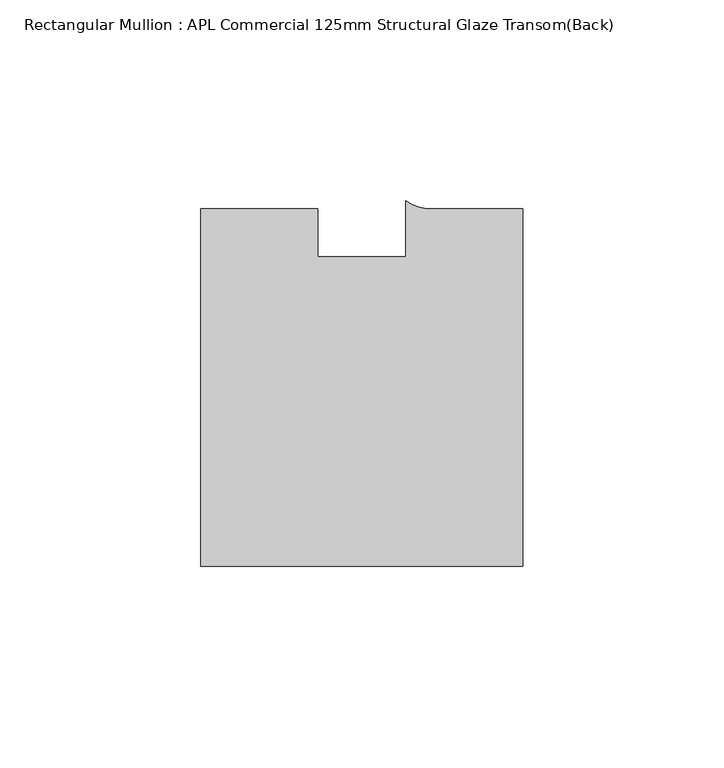
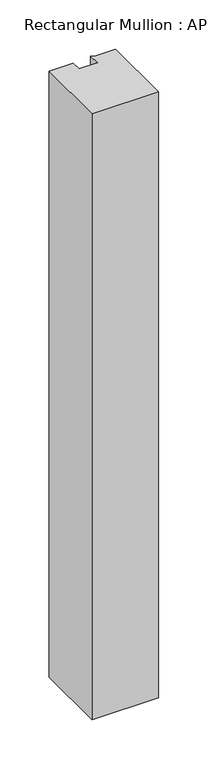
"""IFC4 building model written with IfcOpenShell, lengths in millimetres: member geometry, Rectangular Mullion : APL Commercial 125mm Structural Glaze Transom(Back)."""

import ifcopenshell
import ifcopenshell.guid

model = None  # the IFC model being written
_history = None  # IfcOwnerHistory: only IFC2X3 demands one
_inside = {}  # id of a spatial element -> (the spatial element, [elements in it])
_under = {}  # id of a project, library or spatial element -> (it, [spatial elements below it])
_declared = {}  # id of a project -> (the project, [libraries it declares])
_typed = {}  # id of a type object -> (the type object, [elements of that type])
_made_of = {}  # id of a material, layer set ... -> (it, [elements and type objects made of it])


def new_model(schema):
    """Start an empty IFC model of exactly this schema.

    Asked for "IFC4X3", IfcOpenShell would pick the latest addendum, in which some entities
    have other attributes; the version numbers below select the first issue.
    IFC2X3 requires an IfcOwnerHistory on every rooted entity: one is made here for all.
    """
    global model, _history
    if schema == "IFC4X3":
        model = ifcopenshell.file(schema_version=(4, 3, 0, 0))
    else:
        model = ifcopenshell.file(schema=schema)
    _inside.clear()
    _under.clear()
    _declared.clear()
    _typed.clear()
    _made_of.clear()
    _history = None
    if model.schema == "IFC2X3":
        org = make("IfcOrganization", Name="unknown")
        user = make(
            "IfcPersonAndOrganization",
            ThePerson=make("IfcPerson", FamilyName="unknown"),
            TheOrganization=org,
        )
        app = make(
            "IfcApplication",
            ApplicationDeveloper=org,
            Version="unknown",
            ApplicationFullName="unknown",
            ApplicationIdentifier="unknown",
        )
        _history = make(
            "IfcOwnerHistory",
            OwningUser=user,
            OwningApplication=app,
            ChangeAction="ADDED",
            CreationDate=0,
        )
    return model


def make(cls, **values):
    """One entity of the class cls with the attributes given. An attribute that is None is left unset."""
    return model.create_entity(
        cls, **{name: value for name, value in values.items() if value is not None}
    )


def rooted(cls, **values):
    """An entity with a GlobalId (a new one), such as an element, a storey or a relation."""
    return make(cls, GlobalId=ifcopenshell.guid.new(), OwnerHistory=_history, **values)


def si_unit(unit_type, name, prefix=None):
    """IfcSIUnit, for example si_unit("LENGTHUNIT", "METRE", prefix="MILLI")."""
    return make("IfcSIUnit", UnitType=unit_type, Prefix=prefix, Name=name)


def assignment(units):
    """IfcUnitAssignment: the units of a project."""
    return None if units is None else make("IfcUnitAssignment", Units=units)


def point(xyz):
    """IfcCartesianPoint."""
    return None if xyz is None else make("IfcCartesianPoint", Coordinates=xyz)


def direction(xyz):
    """IfcDirection."""
    return None if xyz is None else make("IfcDirection", DirectionRatios=xyz)


def frame(location, z_axis=None, x_axis=None):
    """IfcAxis2Placement3D, a coordinate frame: its origin and axes. An axis left out is left unset."""
    return make(
        "IfcAxis2Placement3D",
        Location=point(location),
        Axis=direction(z_axis),
        RefDirection=direction(x_axis),
    )


def frame_2d(location, x_axis=None):
    """IfcAxis2Placement2D, a coordinate frame in the plane: its origin and x axis."""
    return make(
        "IfcAxis2Placement2D", Location=point(location), RefDirection=direction(x_axis)
    )


def origin():
    """The frame at (0, 0, 0) with its axes left unset."""
    return frame((0.0, 0.0, 0.0))


def place(relative_to, where):
    """IfcLocalPlacement: puts the frame where relative to a parent placement (None: the world)."""
    return make(
        "IfcLocalPlacement", PlacementRelTo=relative_to, RelativePlacement=where
    )


def context(
    kind, dimensions, precision=None, world=None, true_north=None, identifier=None
):
    """IfcGeometricRepresentationContext, for example the 3D "Model" context."""
    return make(
        "IfcGeometricRepresentationContext",
        ContextIdentifier=identifier,
        ContextType=kind,
        CoordinateSpaceDimension=dimensions,
        Precision=precision,
        WorldCoordinateSystem=world,
        TrueNorth=true_north,
    )


def project(units=None, contexts=None):
    """IfcProject with its units and contexts."""
    return rooted(
        "IfcProject",
        Name="project",
        RepresentationContexts=contexts,
        UnitsInContext=assignment(units),
    )


def spatial(cls, under=None, at=None, **own):
    """A site, building, storey or space (cls), placed at a placement, below another one or the project."""
    s = rooted(cls, ObjectPlacement=at, **own)
    if under is not None:
        _under.setdefault(under.id(), (under, []))[1].append(s)
    return s


def polyline(points):
    """IfcPolyline through the points."""
    return make("IfcPolyline", Points=[point(p) for p in points])


def circle_curve(where, radius):
    """IfcCircle in the frame where."""
    return make("IfcCircle", Position=where, Radius=radius)


def trimmed(basis, trim1, trim2, sense, master):
    """IfcTrimmedCurve: the piece of a basis curve between two trims."""
    return make(
        "IfcTrimmedCurve",
        BasisCurve=basis,
        Trim1=trim1,
        Trim2=trim2,
        SenseAgreement=sense,
        MasterRepresentation=master,
    )


def segment(curve, same_sense, transition):
    """IfcCompositeCurveSegment."""
    return make(
        "IfcCompositeCurveSegment",
        Transition=transition,
        SameSense=same_sense,
        ParentCurve=curve,
    )


def composite_curve(segments, self_intersect=None):
    """IfcCompositeCurve: segments joined end to end."""
    return make("IfcCompositeCurve", Segments=segments, SelfIntersect=self_intersect)


def outline(outer, holes=None, kind="AREA"):
    """IfcArbitraryClosedProfileDef: a profile drawn as a closed curve; with holes, ...WithVoids."""
    if holes is None:
        return make("IfcArbitraryClosedProfileDef", ProfileType=kind, OuterCurve=outer)
    return make(
        "IfcArbitraryProfileDefWithVoids",
        ProfileType=kind,
        OuterCurve=outer,
        InnerCurves=holes,
    )


def extrude(swept, where, along, depth):
    """IfcExtrudedAreaSolid: the profile swept, set in the frame where, extruded along a direction by depth."""
    return make(
        "IfcExtrudedAreaSolid",
        SweptArea=swept,
        Position=where,
        ExtrudedDirection=direction(along),
        Depth=depth,
    )


def shape(context_of_items, identifier, shape_type, items):
    """IfcShapeRepresentation: the items that make up one representation, for example the "Body"."""
    return make(
        "IfcShapeRepresentation",
        ContextOfItems=context_of_items,
        RepresentationIdentifier=identifier,
        RepresentationType=shape_type,
        Items=items,
    )


def source(mapping_origin, context_of_items, identifier, shape_type, items):
    """IfcRepresentationMap: a shape defined once, which mapped items show again and again."""
    return make(
        "IfcRepresentationMap",
        MappingOrigin=mapping_origin,
        MappedRepresentation=shape(context_of_items, identifier, shape_type, items),
    )


def transform(
    local_origin,
    x_axis=None,
    y_axis=None,
    z_axis=None,
    scale=None,
    scale2=None,
    scale3=None,
    uniform=True,
):
    """IfcCartesianTransformationOperator3D, or its non-uniform kind. x_axis, y_axis, z_axis: its Axis1, 2, 3."""
    if uniform:
        return make(
            "IfcCartesianTransformationOperator3D",
            Axis1=direction(x_axis),
            Axis2=direction(y_axis),
            LocalOrigin=point(local_origin),
            Scale=scale,
            Axis3=direction(z_axis),
        )
    return make(
        "IfcCartesianTransformationOperator3DnonUniform",
        Axis1=direction(x_axis),
        Axis2=direction(y_axis),
        LocalOrigin=point(local_origin),
        Scale=scale,
        Axis3=direction(z_axis),
        Scale2=scale2,
        Scale3=scale3,
    )


def mapped(mapping_source, mapping_target):
    """IfcMappedItem: shows the shape of a source again, moved by a transform."""
    return make(
        "IfcMappedItem", MappingSource=mapping_source, MappingTarget=mapping_target
    )


def made_of(thing, what):
    """Note that an element or type object is made of a material, layer set ...; save() writes the relation."""
    if what is not None:
        _made_of.setdefault(what.id(), (what, []))[1].append(thing)
    return thing


def element(
    cls,
    number,
    at=None,
    inside=None,
    cuts=None,
    type_object=None,
    material=None,
    context=None,
    identifier="Body",
    shape_type=None,
    held_by="IfcProductDefinitionShape",
    body=None,
    shapes=None,
    **own,
):
    """One element of the class cls, such as IfcWall. Its Tag is "e" and its number.

    at: its placement. inside: the storey or other place that contains it. cuts: it is an
    opening in that element (IfcRelVoidsElement). A single representation is given by context,
    identifier, shape_type and body (its items); several are given by shapes. held_by: the class
    of the entity that holds the representations. save() writes the other relations.
    """
    e = rooted(cls, Tag="e%d" % number, ObjectPlacement=at, **own)
    if body is not None:
        shapes = [shape(context, identifier, shape_type, body)]
    if shapes is not None:
        e.Representation = make(held_by, Representations=shapes)
    if inside is not None:
        _inside.setdefault(inside.id(), (inside, []))[1].append(e)
    if cuts is not None:
        rooted(
            "IfcRelVoidsElement", RelatingBuildingElement=cuts, RelatedOpeningElement=e
        )
    if type_object is not None:
        _typed.setdefault(type_object.id(), (type_object, []))[1].append(e)
    return made_of(e, material)


def aggregate(whole, parts):
    """IfcRelAggregates: a whole, such as a stair, and the parts it consists of."""
    return rooted("IfcRelAggregates", RelatingObject=whole, RelatedObjects=parts)


def save(model, path):
    """Write the relations noted so far, then the file.

    IfcRelAggregates (storeys below a building ...), IfcRelContainedInSpatialStructure (elements
    in a storey), IfcRelDefinesByType, IfcRelAssociatesMaterial and IfcRelDeclares: one each for
    every whole, place, type object, material and project.
    """
    for whole, parts in _under.values():
        aggregate(whole, parts)
    for where, things in _inside.values():
        rooted(
            "IfcRelContainedInSpatialStructure",
            RelatedElements=things,
            RelatingStructure=where,
        )
    for kind, things in _typed.values():
        rooted("IfcRelDefinesByType", RelatedObjects=things, RelatingType=kind)
    for what, things in _made_of.values():
        rooted("IfcRelAssociatesMaterial", RelatedObjects=things, RelatingMaterial=what)
    for by, libraries in _declared.values():
        rooted("IfcRelDeclares", RelatingContext=by, RelatedDefinitions=libraries)
    model.write(path)


def rectangular_mullion_apl_commercial_125mm_structural_glaze_343d8b33(model_context):
    return source(origin(), model_context, "Body", "SweptSolid", [
        extrude(outline(composite_curve([segment(polyline([(40.0, -104.0), (-40.0, -104.0), (-40.0, -15.0000829), (-11.0000151, -15.0000829), (-11.0000151, -27.0), (11.0000151, -27.0), (11.0000151, -13.0673455)]), True, "CONTINUOUS"), segment(trimmed(circle_curve(frame_2d((17.1097719, -4.581653)), 10.4563907), [point((11.0000151, -13.0673455))], [point((17.9999542, -15.0000829))], True, "CARTESIAN"), True, "CONTINUOUS"), segment(polyline([(17.9999542, -15.0000829), (40.0, -15.0000829), (40.0, -104.0)]), True, "CONTINUOUS")], self_intersect=False)), frame((0.0, 0.0, -767.0863351), z_axis=(0.0, 0.0, 1.0), x_axis=(1.0, 0.0, 0.0)), (0.0, 0.0, 1.0), 767.0863351),
    ])


if __name__ == "__main__":
    model = new_model("IFC4")
    model_context = context("Model", 3, world=origin())
    ifc_project = project(units=[si_unit("LENGTHUNIT", "METRE", prefix="MILLI")], contexts=[model_context])
    site = spatial("IfcSite", under=ifc_project)
    building = spatial("IfcBuilding", under=site)
    placement = place(None, origin())
    rectangular_mullion_apl_commercial_125mm_structural_glaze_shape = rectangular_mullion_apl_commercial_125mm_structural_glaze_343d8b33(model_context)
    element("IfcMember", 1, ObjectType="Rectangular Mullion : APL Commercial 125mm Structural Glaze Transom(Back)", at=placement, inside=building, context=model_context, shape_type="MappedRepresentation", body=[
        mapped(rectangular_mullion_apl_commercial_125mm_structural_glaze_shape, transform((0.0, 0.0, 0.0), x_axis=(1.0, 0.0, 0.0), y_axis=(0.0, 1.0, 0.0), z_axis=(0.0, 0.0, 1.0))),
    ])
    save(model, "model.ifc")
